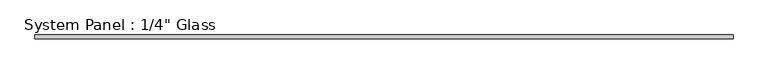
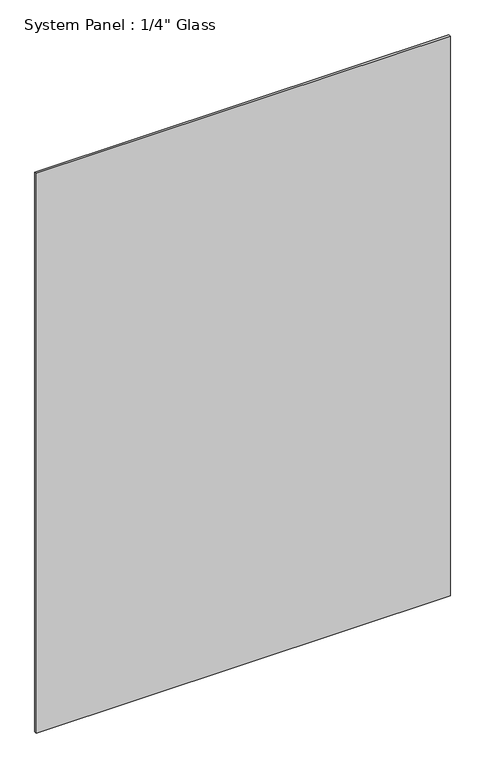
"""IFC4 building model written with IfcOpenShell, lengths in millimetres: plate geometry."""

from ifc_helpers import new_model, si_unit, origin, origin_with_axes, place, context, project, spatial, polyline, outline, extrude, source, transform, mapped, element, save


def plate_9f8726f2(model_context):
    return source(origin(), model_context, "Body", "SweptSolid", [
        extrude(outline(polyline([(593.5803783, -3.175), (-593.5803783, -3.175), (-593.5803783, 3.175), (593.5803783, 3.175), (593.5803783, -3.175)])), origin_with_axes(), (0.0, 0.0, 1.0), 1695.45),
    ])


if __name__ == "__main__":
    model = new_model("IFC4")
    model_context = context("Model", 3, world=origin())
    ifc_project = project(units=[si_unit("LENGTHUNIT", "METRE", prefix="MILLI")], contexts=[model_context])
    site = spatial("IfcSite", under=ifc_project)
    building = spatial("IfcBuilding", under=site)
    placement = place(None, origin())
    plate_shape = plate_9f8726f2(model_context)
    element("IfcPlate", 1, ObjectType="System Panel : 1/4\" Glass", at=placement, inside=building, context=model_context, shape_type="MappedRepresentation", body=[
        mapped(plate_shape, transform((0.0, 0.0, 0.0), x_axis=(1.0, 0.0, 0.0), y_axis=(0.0, 1.0, 0.0), z_axis=(0.0, 0.0, 1.0))),
    ])
    save(model, "model.ifc")
